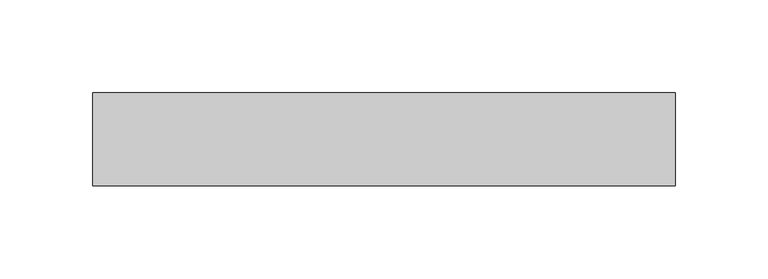
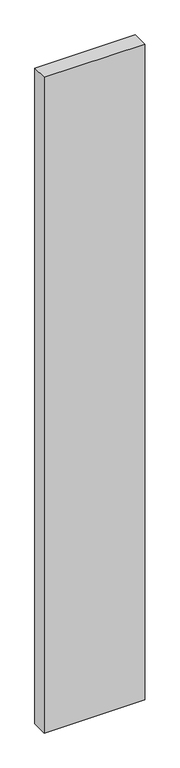
"""IFC4 building model written with IfcOpenShell, lengths in millimetres: plate geometry."""

from ifc_helpers import new_model, si_unit, origin, origin_with_axes, place, context, project, spatial, polyline, outline, extrude, source, transform, mapped, element, save


def plate_3d7a734e(model_context):
    return source(origin(), model_context, "Body", "SweptSolid", [
        extrude(outline(polyline([(157.0038035, -25.0), (-157.0038035, -25.0), (-157.0038035, 25.0), (157.0038035, 25.0), (157.0038035, -25.0)])), origin_with_axes(), (0.0, 0.0, 1.0), 2165.0),
    ])


if __name__ == "__main__":
    model = new_model("IFC4")
    model_context = context("Model", 3, world=origin())
    ifc_project = project(units=[si_unit("LENGTHUNIT", "METRE", prefix="MILLI")], contexts=[model_context])
    site = spatial("IfcSite", under=ifc_project)
    building = spatial("IfcBuilding", under=site)
    placement = place(None, origin())
    plate_shape = plate_3d7a734e(model_context)
    element("IfcPlate", 1, at=placement, inside=building, context=model_context, shape_type="MappedRepresentation", body=[
        mapped(plate_shape, transform((0.0, 0.0, 0.0), x_axis=(1.0, 0.0, 0.0), y_axis=(0.0, 1.0, 0.0), z_axis=(0.0, 0.0, 1.0))),
    ])
    save(model, "model.ifc")
